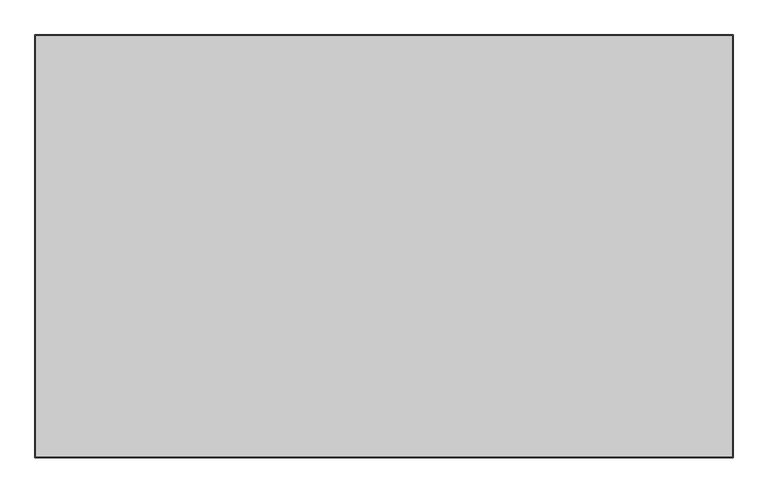
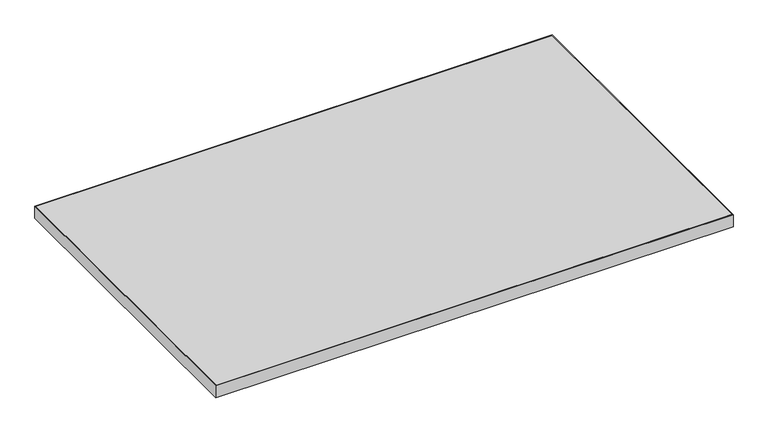
"""IFC4 building model written with IfcOpenShell, lengths in millimetres: furniture geometry."""

from ifc_helpers import new_model, si_unit, frame, origin, place, context, project, spatial, polyline, outline, extrude, source, transform, mapped, element, save


def furniture_e4d69420(model_context):
    return source(origin(), model_context, "Body", "SweptSolid", [
        extrude(outline(polyline([(751.9273996, 23.8916812), (-461.0242004, 23.8916812), (-461.0242004, 757.2912812), (751.9273996, 757.2912812), (751.9273996, 23.8916812)])), frame((0.0, 0.0, 707.0328125), z_axis=(0.0, 0.0, 1.0), x_axis=(1.0, 0.0, 0.0)), (0.0, 0.0, 1.0), 29.5671875),
        extrude(outline(polyline([(753.5148996, 758.8787812), (753.5148996, 22.3041812), (-462.6117004, 22.3041812), (-462.6117004, 758.8787812), (753.5148996, 758.8787812)]), holes=[polyline([(-461.0242004, 757.2912812), (-461.0242004, 23.8916812), (751.9273996, 23.8916812), (751.9273996, 757.2912812), (-461.0242004, 757.2912812)])]), frame((0.0, 0.0, 707.009), z_axis=(0.0, 0.0, 1.0), x_axis=(1.0, 0.0, 0.0)), (0.0, 0.0, 1.0), 29.591),
    ])


if __name__ == "__main__":
    model = new_model("IFC4")
    model_context = context("Model", 3, world=origin())
    ifc_project = project(units=[si_unit("LENGTHUNIT", "METRE", prefix="MILLI")], contexts=[model_context])
    site = spatial("IfcSite", under=ifc_project)
    building = spatial("IfcBuilding", under=site)
    placement = place(None, origin())
    furniture_shape = furniture_e4d69420(model_context)
    element("IfcFurniture", 1, at=placement, inside=building, context=model_context, shape_type="MappedRepresentation", body=[
        mapped(furniture_shape, transform((0.0, 0.0, 0.0), x_axis=(1.0, 0.0, 0.0), y_axis=(0.0, 1.0, 0.0), z_axis=(0.0, 0.0, 1.0))),
    ])
    save(model, "model.ifc")
